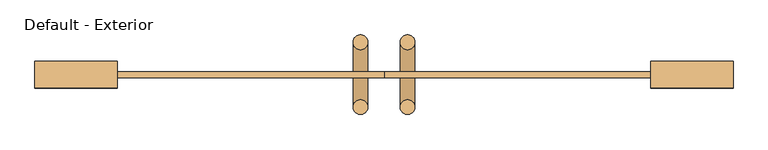
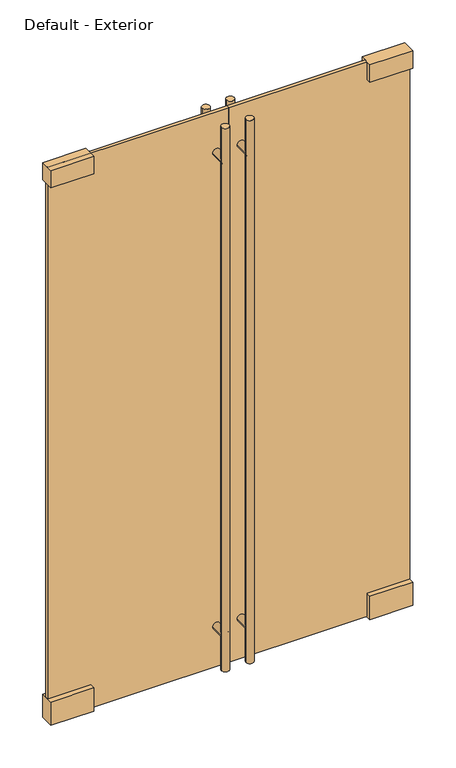
"""IFC4 building model written with IfcOpenShell, lengths in millimetres: door geometry, Default - Exterior."""

from ifc_helpers import new_model, si_unit, point, frame, frame_2d, origin, origin_with_axes, place, context, project, spatial, polyline, circle_curve, trimmed, segment, composite_curve, outline, extrude, source, transform, mapped, element, save


def default_exterior_d00c694c(model_context):
    return source(origin(), model_context, "Body", "SweptSolid", [
        extrude(outline(composite_curve([segment(trimmed(circle_curve(frame_2d((2260.6, -50.8)), 15.875), [point((2260.6, -34.925))], [point((2260.6, -66.675))], False, "CARTESIAN"), True, "CONTINUOUS"), segment(trimmed(circle_curve(frame_2d((2260.6, -50.8)), 15.875), [point((2260.6, -66.675))], [point((2260.6, -34.925))], False, "CARTESIAN"), True, "CONTINUOUS")], self_intersect=False)), frame((0.0, -98.425, 0.0), z_axis=(0.0, 1.0, 0.0), x_axis=(0.0, 0.0, 1.0)), (0.0, 0.0, 1.0), 139.7),
        extrude(outline(composite_curve([segment(trimmed(circle_curve(frame_2d((177.8, -50.8)), 15.875), [point((177.8, -34.925))], [point((177.8, -66.675))], False, "CARTESIAN"), True, "CONTINUOUS"), segment(trimmed(circle_curve(frame_2d((177.8, -50.8)), 15.875), [point((177.8, -66.675))], [point((177.8, -34.925))], False, "CARTESIAN"), True, "CONTINUOUS")], self_intersect=False)), frame((0.0, -98.425, 0.0), z_axis=(0.0, 1.0, 0.0), x_axis=(0.0, 0.0, 1.0)), (0.0, 0.0, 1.0), 139.7),
        extrude(outline(composite_curve([segment(trimmed(circle_curve(frame_2d((-50.8, -98.425)), 15.875), [point((-34.925, -98.425))], [point((-66.675, -98.425))], False, "CARTESIAN"), True, "CONTINUOUS"), segment(trimmed(circle_curve(frame_2d((-50.8, -98.425)), 15.875), [point((-66.675, -98.425))], [point((-34.925, -98.425))], False, "CARTESIAN"), True, "CONTINUOUS")], self_intersect=False)), frame((0.0, 0.0, 25.4), z_axis=(0.0, 0.0, 1.0), x_axis=(1.0, 0.0, 0.0)), (0.0, 0.0, 1.0), 2387.6),
        extrude(outline(composite_curve([segment(trimmed(circle_curve(frame_2d((-50.8, 41.275)), 15.875), [point((-34.925, 41.275))], [point((-66.675, 41.275))], False, "CARTESIAN"), True, "CONTINUOUS"), segment(trimmed(circle_curve(frame_2d((-50.8, 41.275)), 15.875), [point((-66.675, 41.275))], [point((-34.925, 41.275))], False, "CARTESIAN"), True, "CONTINUOUS")], self_intersect=False)), frame((0.0, 0.0, 25.4), z_axis=(0.0, 0.0, 1.0), x_axis=(1.0, 0.0, 0.0)), (0.0, 0.0, 1.0), 2387.6),
        extrude(outline(composite_curve([segment(trimmed(circle_curve(frame_2d((2260.6, 50.8)), 15.875), [point((2260.6, 34.925))], [point((2260.6, 66.675))], False, "CARTESIAN"), True, "CONTINUOUS"), segment(trimmed(circle_curve(frame_2d((2260.6, 50.8)), 15.875), [point((2260.6, 66.675))], [point((2260.6, 34.925))], False, "CARTESIAN"), True, "CONTINUOUS")], self_intersect=False)), frame((0.0, -98.425, 0.0), z_axis=(0.0, 1.0, 0.0), x_axis=(0.0, 0.0, 1.0)), (0.0, 0.0, 1.0), 139.7),
        extrude(outline(composite_curve([segment(trimmed(circle_curve(frame_2d((177.8, 50.8)), 15.875), [point((177.8, 34.925))], [point((177.8, 66.675))], False, "CARTESIAN"), True, "CONTINUOUS"), segment(trimmed(circle_curve(frame_2d((177.8, 50.8)), 15.875), [point((177.8, 66.675))], [point((177.8, 34.925))], False, "CARTESIAN"), True, "CONTINUOUS")], self_intersect=False)), frame((0.0, -98.425, 0.0), z_axis=(0.0, 1.0, 0.0), x_axis=(0.0, 0.0, 1.0)), (0.0, 0.0, 1.0), 139.7),
        extrude(outline(composite_curve([segment(trimmed(circle_curve(frame_2d((50.8, -98.425)), 15.875), [point((34.925, -98.425))], [point((66.675, -98.425))], False, "CARTESIAN"), True, "CONTINUOUS"), segment(trimmed(circle_curve(frame_2d((50.8, -98.425)), 15.875), [point((66.675, -98.425))], [point((34.925, -98.425))], False, "CARTESIAN"), True, "CONTINUOUS")], self_intersect=False)), frame((0.0, 0.0, 25.4), z_axis=(0.0, 0.0, 1.0), x_axis=(1.0, 0.0, 0.0)), (0.0, 0.0, 1.0), 2387.6),
        extrude(outline(composite_curve([segment(trimmed(circle_curve(frame_2d((50.8, 41.275)), 15.875), [point((34.925, 41.275))], [point((66.675, 41.275))], False, "CARTESIAN"), True, "CONTINUOUS"), segment(trimmed(circle_curve(frame_2d((50.8, 41.275)), 15.875), [point((66.675, 41.275))], [point((34.925, 41.275))], False, "CARTESIAN"), True, "CONTINUOUS")], self_intersect=False)), frame((0.0, 0.0, 25.4), z_axis=(0.0, 0.0, 1.0), x_axis=(1.0, 0.0, 0.0)), (0.0, 0.0, 1.0), 2387.6),
        extrude(outline(polyline([(-752.475, -57.15), (-752.475, 0.0), (-574.675, 0.0), (-574.675, -57.15), (-752.475, -57.15)])), frame((0.0, 0.0, 2362.2), z_axis=(0.0, 0.0, 1.0), x_axis=(1.0, 0.0, 0.0)), (0.0, 0.0, 1.0), 76.2),
        extrude(outline(polyline([(-752.475, -57.15), (-752.475, 0.0), (-574.675, 0.0), (-574.675, -57.15), (-752.475, -57.15)])), origin_with_axes(), (0.0, 0.0, 1.0), 101.6),
        extrude(outline(polyline([(-752.475, -34.925), (-752.475, -22.225), (0.0, -22.225), (0.0, -34.925), (-752.475, -34.925)])), origin_with_axes(), (0.0, 0.0, 1.0), 2438.4),
        extrude(outline(polyline([(752.475, -57.15), (574.675, -57.15), (574.675, 0.0), (752.475, 0.0), (752.475, -57.15)])), frame((0.0, 0.0, 2362.2), z_axis=(0.0, 0.0, 1.0), x_axis=(1.0, 0.0, 0.0)), (0.0, 0.0, 1.0), 76.2),
        extrude(outline(polyline([(752.475, -57.15), (574.675, -57.15), (574.675, 0.0), (752.475, 0.0), (752.475, -57.15)])), origin_with_axes(), (0.0, 0.0, 1.0), 101.6),
        extrude(outline(polyline([(752.475, -34.925), (0.0, -34.925), (0.0, -22.225), (752.475, -22.225), (752.475, -34.925)])), origin_with_axes(), (0.0, 0.0, 1.0), 2438.4),
    ])


if __name__ == "__main__":
    model = new_model("IFC4")
    model_context = context("Model", 3, world=origin())
    ifc_project = project(units=[si_unit("LENGTHUNIT", "METRE", prefix="MILLI")], contexts=[model_context])
    site = spatial("IfcSite", under=ifc_project)
    building = spatial("IfcBuilding", under=site)
    placement = place(None, origin())
    default_exterior_shape = default_exterior_d00c694c(model_context)
    element("IfcDoor", 1, ObjectType="Default - Exterior", at=placement, inside=building, context=model_context, shape_type="MappedRepresentation", body=[
        mapped(default_exterior_shape, transform((0.0, 0.0, 0.0), x_axis=(1.0, 0.0, 0.0), y_axis=(0.0, 1.0, 0.0), z_axis=(0.0, 0.0, 1.0))),
    ])
    save(model, "model.ifc")
